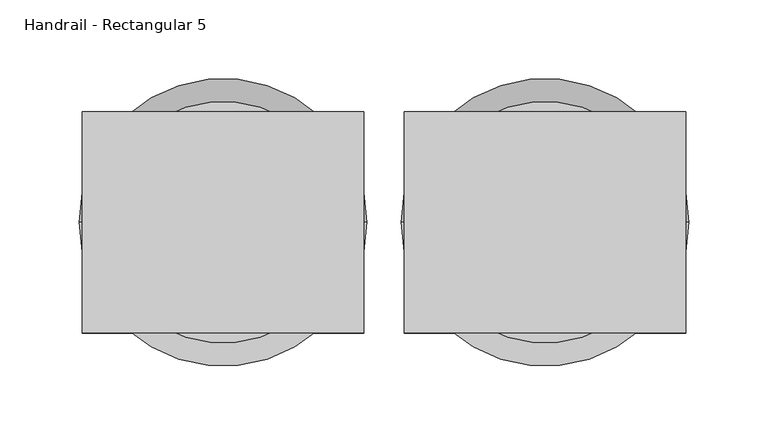
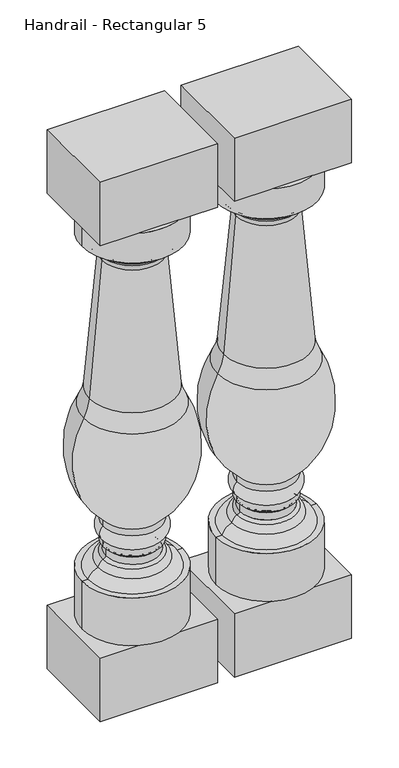
"""IFC4 building model written with IfcOpenShell, lengths in millimetres: railing geometry, Handrail - Rectangular 5."""

from ifc_helpers import new_model, si_unit, point, frame, origin, place, context, project, spatial, polyline, circle_curve, ellipse_curve, trimmed, outline, extrude, source, transform, mapped, element, save
from ifc_brep_helpers import plane_surface, cylinder_surface, revolved_surface, advanced_brep


def handrail_rectangular_5_1dbdea12(model_context):
    return source(origin(), model_context, "Body", "SolidModel", [
        advanced_brep(
        [(12597.7566037, 2142.9239298, 873.125), (12750.1566037, 2142.9239298, 873.125), (12673.9566037, 2142.9239298, 873.125), (12597.7566037, 2142.9239298, 825.4490755), (12750.1566037, 2142.9239298, 825.4490755), (12607.799835, 2142.9239298, 825.4490755), (12740.1133725, 2142.9239298, 825.4490755), (12619.2831249, 2142.9239298, 813.9657856), (12728.6300826, 2142.9239298, 813.9657856), (12619.2831249, 2142.9239298, 808.3461292), (12728.6300826, 2142.9239298, 808.3461292), (12624.985312, 2142.9239298, 802.2016975), (12722.9278955, 2142.9239298, 802.2016975), (12628.3271078, 2142.9239298, 792.8428746), (12719.5860997, 2142.9239298, 792.8428746), (12609.5596018, 2142.9239298, 577.4758218), (12738.3536056, 2142.9239298, 577.4758218), (12600.5423791, 2142.9239298, 549.5125844), (12747.3708283, 2142.9239298, 549.5125844), (12629.8132114, 2142.9239298, 376.7693301), (12718.099996, 2142.9239298, 376.7693301), (12629.8132114, 2142.9239298, 366.4437154), (12718.099996, 2142.9239298, 366.4437154), (12629.8132114, 2142.9239298, 343.8682651), (12718.099996, 2142.9239298, 343.8682651), (12629.8132114, 2142.9239298, 333.5426504), (12718.099996, 2142.9239298, 333.5426504), (12634.1236517, 2142.9239298, 329.2322102), (12713.7895558, 2142.9239298, 329.2322102), (12634.1236517, 2142.9239298, 317.4353211), (12713.7895558, 2142.9239298, 317.4353211), (12629.6258586, 2142.9239298, 313.1289544), (12718.2873488, 2142.9239298, 313.1289544), (12622.1054015, 2142.9239298, 303.0807869), (12725.8078059, 2142.9239298, 303.0807869), (12606.9567928, 2142.9239298, 288.925), (12740.9564146, 2142.9239298, 288.925), (12597.7566037, 2142.9239298, 288.925), (12750.1566037, 2142.9239298, 288.925), (12597.7566037, 2142.9239298, 212.725), (12750.1566037, 2142.9239298, 212.725), (12673.9566037, 2142.9239298, 212.725)],
        [
            (0, 1, circle_curve(frame((12673.9566037, 2142.9239298, 873.125), z_axis=(0.0, 0.0, 1.0), x_axis=(1.0, 0.0, 0.0)), 76.2)),
            (1, 2),
            (2, 0),
            (1, 0, circle_curve(frame((12673.9566037, 2142.9239298, 873.125), z_axis=(0.0, 0.0, 1.0), x_axis=(1.0, 0.0, 0.0)), 76.2)),
            (3, 4, circle_curve(frame((12673.9566037, 2142.9239298, 825.4490755), z_axis=(0.0, 0.0, 1.0), x_axis=(1.0, 0.0, 0.0)), 76.2)),
            (4, 1),
            (0, 3),
            (4, 3, circle_curve(frame((12673.9566037, 2142.9239298, 825.4490755), z_axis=(0.0, 0.0, 1.0), x_axis=(1.0, 0.0, 0.0)), 76.2)),
            (5, 6, circle_curve(frame((12673.9566037, 2142.9239298, 825.4490755), z_axis=(0.0, 0.0, 1.0), x_axis=(1.0, 0.0, 0.0)), 66.1567687)),
            (6, 4),
            (3, 5),
            (6, 5, circle_curve(frame((12673.9566037, 2142.9239298, 825.4490755), z_axis=(0.0, 0.0, 1.0), x_axis=(1.0, 0.0, 0.0)), 66.1567687)),
            (7, 8, circle_curve(frame((12673.9566037, 2142.9239298, 813.9657856), z_axis=(0.0, 0.0, 1.0), x_axis=(1.0, 0.0, 0.0)), 54.6734788)),
            (8, 6, circle_curve(frame((12728.6300826, 2142.9239298, 825.4490755), z_axis=(0.0, -1.0, 0.0), x_axis=(-1.0, 0.0, 0.0)), 11.4832899)),
            (5, 7, circle_curve(frame((12619.2831249, 2142.9239298, 825.4490755), z_axis=(0.0, -1.0, 0.0), x_axis=(1.0, 0.0, 0.0)), 11.4832899)),
            (8, 7, circle_curve(frame((12673.9566037, 2142.9239298, 813.9657856), z_axis=(0.0, 0.0, 1.0), x_axis=(1.0, 0.0, 0.0)), 54.6734788)),
            (9, 10, circle_curve(frame((12673.9566037, 2142.9239298, 808.3461292), z_axis=(0.0, 0.0, 1.0), x_axis=(1.0, 0.0, 0.0)), 54.6734788)),
            (10, 8),
            (7, 9),
            (10, 9, circle_curve(frame((12673.9566037, 2142.9239298, 808.3461292), z_axis=(0.0, 0.0, 1.0), x_axis=(1.0, 0.0, 0.0)), 54.6734788)),
            (11, 12, circle_curve(frame((12673.9566037, 2142.9239298, 802.2016975), z_axis=(0.0, 0.0, 1.0), x_axis=(1.0, 0.0, 0.0)), 48.9712918)),
            (12, 10, circle_curve(frame((12736.338943, 2142.9239298, 795.4740105), z_axis=(0.0, 1.0, 0.0), x_axis=(-1.0, 0.0, 0.0)), 15.0039317)),
            (9, 11, circle_curve(frame((12611.5742645, 2142.9239298, 795.4740105), z_axis=(0.0, 1.0, 0.0), x_axis=(1.0, 0.0, 0.0)), 15.0039317)),
            (12, 11, circle_curve(frame((12673.9566037, 2142.9239298, 802.2016975), z_axis=(0.0, 0.0, 1.0), x_axis=(1.0, 0.0, 0.0)), 48.9712918)),
            (13, 14, circle_curve(frame((12673.9566037, 2142.9239298, 792.8428746), z_axis=(0.0, 0.0, 1.0), x_axis=(1.0, 0.0, 0.0)), 45.629496)),
            (14, 12, circle_curve(frame((12732.263988, 2142.9239298, 793.5919719), z_axis=(0.0, 1.0, 0.0), x_axis=(-1.0, 0.0, 0.0)), 12.7)),
            (11, 13, circle_curve(frame((12615.6492194, 2142.9239298, 793.5919719), z_axis=(0.0, 1.0, 0.0), x_axis=(1.0, 0.0, 0.0)), 12.7)),
            (14, 13, circle_curve(frame((12673.9566037, 2142.9239298, 792.8428746), z_axis=(0.0, 0.0, 1.0), x_axis=(1.0, 0.0, 0.0)), 45.629496)),
            (15, 16, circle_curve(frame((12673.9566037, 2142.9239298, 577.4758218), z_axis=(0.0, 0.0, 1.0), x_axis=(1.0, 0.0, 0.0)), 64.3970019)),
            (16, 14, circle_curve(frame((16587.0276241, 2142.9239298, 1021.358044), z_axis=(0.0, 1.0, 0.0), x_axis=(-1.0, 0.0, 0.0)), 3874.1867698)),
            (13, 15, circle_curve(frame((8760.8855833, 2142.9239298, 1021.358044), z_axis=(0.0, 1.0, 0.0), x_axis=(1.0, 0.0, 0.0)), 3874.1867698)),
            (16, 15, circle_curve(frame((12673.9566037, 2142.9239298, 577.4758218), z_axis=(0.0, 0.0, 1.0), x_axis=(1.0, 0.0, 0.0)), 64.3970019)),
            (17, 18, circle_curve(frame((12673.9566037, 2142.9239298, 549.5125844), z_axis=(0.0, 0.0, 1.0), x_axis=(1.0, 0.0, 0.0)), 73.4142246)),
            (18, 16, circle_curve(frame((12812.8732583, 2142.9239298, 586.070457), z_axis=(0.0, 1.0, 0.0), x_axis=(-1.0, 0.0, 0.0)), 75.0136413)),
            (15, 17, circle_curve(frame((12535.0399492, 2142.9239298, 586.070457), z_axis=(0.0, 1.0, 0.0), x_axis=(1.0, 0.0, 0.0)), 75.0136413)),
            (18, 17, circle_curve(frame((12673.9566037, 2142.9239298, 549.5125844), z_axis=(0.0, 0.0, 1.0), x_axis=(1.0, 0.0, 0.0)), 73.4142246)),
            (19, 20, circle_curve(frame((12673.9566037, 2142.9239298, 376.7693301), z_axis=(0.0, 0.0, 1.0), x_axis=(1.0, 0.0, 0.0)), 44.1433923)),
            (20, 18, circle_curve(frame((12625.248479, 2142.9239298, 481.3542994), z_axis=(0.0, -1.0, 0.0), x_axis=(-1.0, 0.0, 0.0)), 139.8549964)),
            (17, 19, circle_curve(frame((12722.6647284, 2142.9239298, 481.3542994), z_axis=(0.0, -1.0, 0.0), x_axis=(1.0, 0.0, 0.0)), 139.8549964)),
            (20, 19, circle_curve(frame((12673.9566037, 2142.9239298, 376.7693301), z_axis=(0.0, 0.0, 1.0), x_axis=(1.0, 0.0, 0.0)), 44.1433923)),
            (21, 22, circle_curve(frame((12673.9566037, 2142.9239298, 366.4437154), z_axis=(0.0, 0.0, 1.0), x_axis=(1.0, 0.0, 0.0)), 44.1433923)),
            (22, 20),
            (19, 21),
            (22, 21, circle_curve(frame((12673.9566037, 2142.9239298, 366.4437154), z_axis=(0.0, 0.0, 1.0), x_axis=(1.0, 0.0, 0.0)), 44.1433923)),
            (23, 24, circle_curve(frame((12673.9566037, 2142.9239298, 343.8682651), z_axis=(0.0, 0.0, 1.0), x_axis=(1.0, 0.0, 0.0)), 44.1433923)),
            (24, 22, circle_curve(frame((12709.8079682, 2142.9239298, 355.1559903), z_axis=(0.0, -1.0, 0.0), x_axis=(-1.0, 0.0, 0.0)), 14.0060867)),
            (21, 23, circle_curve(frame((12638.1052393, 2142.9239298, 355.1559903), z_axis=(0.0, -1.0, 0.0), x_axis=(1.0, 0.0, 0.0)), 14.0060867)),
            (24, 23, circle_curve(frame((12673.9566037, 2142.9239298, 343.8682651), z_axis=(0.0, 0.0, 1.0), x_axis=(1.0, 0.0, 0.0)), 44.1433923)),
            (25, 26, circle_curve(frame((12673.9566037, 2142.9239298, 333.5426504), z_axis=(0.0, 0.0, 1.0), x_axis=(1.0, 0.0, 0.0)), 44.1433923)),
            (26, 24),
            (23, 25),
            (26, 25, circle_curve(frame((12673.9566037, 2142.9239298, 333.5426504), z_axis=(0.0, 0.0, 1.0), x_axis=(1.0, 0.0, 0.0)), 44.1433923)),
            (27, 28, circle_curve(frame((12673.9566037, 2142.9239298, 329.2322102), z_axis=(0.0, 0.0, 1.0), x_axis=(1.0, 0.0, 0.0)), 39.8329521)),
            (28, 26, circle_curve(frame((12718.099996, 2142.9239298, 329.2322102), z_axis=(0.0, 1.0, 0.0), x_axis=(-1.0, 0.0, 0.0)), 4.3104402)),
            (25, 27, circle_curve(frame((12629.8132114, 2142.9239298, 329.2322102), z_axis=(0.0, 1.0, 0.0), x_axis=(1.0, 0.0, 0.0)), 4.3104402)),
            (28, 27, circle_curve(frame((12673.9566037, 2142.9239298, 329.2322102), z_axis=(0.0, 0.0, 1.0), x_axis=(1.0, 0.0, 0.0)), 39.8329521)),
            (29, 30, circle_curve(frame((12673.9566037, 2142.9239298, 317.4353211), z_axis=(0.0, 0.0, 1.0), x_axis=(1.0, 0.0, 0.0)), 39.8329521)),
            (30, 28),
            (27, 29),
            (30, 29, circle_curve(frame((12673.9566037, 2142.9239298, 317.4353211), z_axis=(0.0, 0.0, 1.0), x_axis=(1.0, 0.0, 0.0)), 39.8329521)),
            (31, 32, circle_curve(frame((12673.9566037, 2142.9239298, 313.1289544), z_axis=(0.0, 0.0, 1.0), x_axis=(1.0, 0.0, 0.0)), 44.3307451)),
            (32, 30, circle_curve(frame((12718.099996, 2142.9239298, 317.4353211), z_axis=(0.0, 1.0, 0.0), x_axis=(-1.0, 0.0, 0.0)), 4.3104402)),
            (29, 31, circle_curve(frame((12629.8132114, 2142.9239298, 317.4353211), z_axis=(0.0, 1.0, 0.0), x_axis=(1.0, 0.0, 0.0)), 4.3104402)),
            (32, 31, circle_curve(frame((12673.9566037, 2142.9239298, 313.1289544), z_axis=(0.0, 0.0, 1.0), x_axis=(1.0, 0.0, 0.0)), 44.3307451)),
            (33, 34, circle_curve(frame((12673.9566037, 2142.9239298, 303.0807869), z_axis=(0.0, 0.0, 1.0), x_axis=(1.0, 0.0, 0.0)), 51.8512022)),
            (34, 32, circle_curve(frame((12711.1684896, 2142.9239298, 299.962519), z_axis=(0.0, -1.0, 0.0), x_axis=(-1.0, 0.0, 0.0)), 14.9677378)),
            (31, 33, circle_curve(frame((12636.7447178, 2142.9239298, 299.962519), z_axis=(0.0, -1.0, 0.0), x_axis=(1.0, 0.0, 0.0)), 14.9677378)),
            (34, 33, circle_curve(frame((12673.9566037, 2142.9239298, 303.0807869), z_axis=(0.0, 0.0, 1.0), x_axis=(1.0, 0.0, 0.0)), 51.8512022)),
            (35, 36, circle_curve(frame((12673.9566037, 2142.9239298, 288.925), z_axis=(0.0, 0.0, 1.0), x_axis=(1.0, 0.0, 0.0)), 66.9998109)),
            (36, 34, circle_curve(frame((12720.5589578, 2142.9239298, 282.2803841), z_axis=(0.0, -1.0, 0.0), x_axis=(-1.0, 0.0, 0.0)), 21.4524396)),
            (33, 35, circle_curve(frame((12627.3542496, 2142.9239298, 282.2803841), z_axis=(0.0, -1.0, 0.0), x_axis=(1.0, 0.0, 0.0)), 21.4524396)),
            (36, 35, circle_curve(frame((12673.9566037, 2142.9239298, 288.925), z_axis=(0.0, 0.0, 1.0), x_axis=(1.0, 0.0, 0.0)), 66.9998109)),
            (37, 38, circle_curve(frame((12673.9566037, 2142.9239298, 288.925), z_axis=(0.0, 0.0, 1.0), x_axis=(1.0, 0.0, 0.0)), 76.2)),
            (38, 36),
            (35, 37),
            (38, 37, circle_curve(frame((12673.9566037, 2142.9239298, 288.925), z_axis=(0.0, 0.0, 1.0), x_axis=(1.0, 0.0, 0.0)), 76.2)),
            (39, 40, circle_curve(frame((12673.9566037, 2142.9239298, 212.725), z_axis=(0.0, 0.0, 1.0), x_axis=(1.0, 0.0, 0.0)), 76.2)),
            (40, 38),
            (37, 39),
            (40, 39, circle_curve(frame((12673.9566037, 2142.9239298, 212.725), z_axis=(0.0, 0.0, 1.0), x_axis=(1.0, 0.0, 0.0)), 76.2)),
            (41, 40),
            (39, 41),
        ],
        [
            plane_surface(frame((12673.9566037, 2142.9239298, 873.125), z_axis=(0.0, 0.0, 1.0), x_axis=(1.0, 0.0, 0.0))),
            cylinder_surface(frame((12673.9566037, 2142.9239298, 841.375), z_axis=(0.0, 0.0, -1.0), x_axis=(1.0, 0.0, 0.0)), 76.2),
            plane_surface(frame((12673.9566037, 2142.9239298, 825.4490755), z_axis=(0.0, 0.0, -1.0), x_axis=(1.0, 0.0, 0.0))),
            revolved_surface(trimmed(ellipse_curve(frame((12728.6300826, 2142.9239298, 825.4490755), z_axis=(0.0, 1.0, 0.0), x_axis=(-1.0, 0.0, 0.0)), 11.4832899, 11.4832899), [point((12740.1133725, 2142.9239298, 825.4490755))], [point((12728.6300826, 2142.9239298, 813.9657856))], True, "CARTESIAN"), (12673.9566037, 2142.9239298, 841.375), (0.0, 0.0, -1.0)),
            cylinder_surface(frame((12673.9566037, 2142.9239298, 841.375), z_axis=(0.0, 0.0, -1.0), x_axis=(1.0, 0.0, 0.0)), 54.6734788),
            revolved_surface(trimmed(ellipse_curve(frame((12736.338943, 2142.9239298, 795.4740105), z_axis=(0.0, -1.0, 0.0), x_axis=(-1.0, 0.0, 0.0)), 15.0039317, 15.0039317), [point((12728.6300826, 2142.9239298, 808.3461292))], [point((12722.9278955, 2142.9239298, 802.2016975))], True, "CARTESIAN"), (12673.9566037, 2142.9239298, 841.375), (0.0, 0.0, -1.0)),
            revolved_surface(trimmed(ellipse_curve(frame((12732.263988, 2142.9239298, 793.5919719), z_axis=(0.0, -1.0, 0.0), x_axis=(-1.0, 0.0, 0.0)), 12.7, 12.7), [point((12722.9278955, 2142.9239298, 802.2016975))], [point((12719.5860997, 2142.9239298, 792.8428746))], True, "CARTESIAN"), (12673.9566037, 2142.9239298, 841.375), (0.0, 0.0, -1.0)),
            revolved_surface(trimmed(ellipse_curve(frame((16587.0276241, 2142.9239298, 1021.358044), z_axis=(0.0, -1.0, 0.0), x_axis=(-1.0, 0.0, 0.0)), 3874.1867698, 3874.1867698), [point((12719.5860997, 2142.9239298, 792.8428746))], [point((12738.3536056, 2142.9239298, 577.4758218))], True, "CARTESIAN"), (12673.9566037, 2142.9239298, 841.375), (0.0, 0.0, -1.0)),
            revolved_surface(trimmed(ellipse_curve(frame((12812.8732583, 2142.9239298, 586.070457), z_axis=(0.0, -1.0, 0.0), x_axis=(-1.0, 0.0, 0.0)), 75.0136413, 75.0136413), [point((12738.3536056, 2142.9239298, 577.4758218))], [point((12747.3708283, 2142.9239298, 549.5125844))], True, "CARTESIAN"), (12673.9566037, 2142.9239298, 841.375), (0.0, 0.0, -1.0)),
            revolved_surface(trimmed(ellipse_curve(frame((12625.248479, 2142.9239298, 481.3542994), z_axis=(0.0, 1.0, 0.0), x_axis=(-1.0, 0.0, 0.0)), 139.8549964, 139.8549964), [point((12747.3708283, 2142.9239298, 549.5125844))], [point((12718.099996, 2142.9239298, 376.7693301))], True, "CARTESIAN"), (12673.9566037, 2142.9239298, 841.375), (0.0, 0.0, -1.0)),
            cylinder_surface(frame((12673.9566037, 2142.9239298, 841.375), z_axis=(0.0, 0.0, -1.0), x_axis=(1.0, 0.0, 0.0)), 44.1433923),
            revolved_surface(trimmed(ellipse_curve(frame((12709.8079682, 2142.9239298, 355.1559903), z_axis=(0.0, 1.0, 0.0), x_axis=(-1.0, 0.0, 0.0)), 14.0060867, 14.0060867), [point((12718.099996, 2142.9239298, 366.4437154))], [point((12718.099996, 2142.9239298, 343.8682651))], True, "CARTESIAN"), (12673.9566037, 2142.9239298, 841.375), (0.0, 0.0, -1.0)),
            revolved_surface(trimmed(ellipse_curve(frame((12718.099996, 2142.9239298, 329.2322102), z_axis=(0.0, -1.0, 0.0), x_axis=(-1.0, 0.0, 0.0)), 4.3104402, 4.3104402), [point((12718.099996, 2142.9239298, 333.5426504))], [point((12713.7895558, 2142.9239298, 329.2322102))], True, "CARTESIAN"), (12673.9566037, 2142.9239298, 841.375), (0.0, 0.0, -1.0)),
            cylinder_surface(frame((12673.9566037, 2142.9239298, 841.375), z_axis=(0.0, 0.0, -1.0), x_axis=(1.0, 0.0, 0.0)), 39.8329521),
            revolved_surface(trimmed(ellipse_curve(frame((12718.099996, 2142.9239298, 317.4353211), z_axis=(0.0, -1.0, 0.0), x_axis=(-1.0, 0.0, 0.0)), 4.3104402, 4.3104402), [point((12713.7895558, 2142.9239298, 317.4353211))], [point((12718.2873488, 2142.9239298, 313.1289544))], True, "CARTESIAN"), (12673.9566037, 2142.9239298, 841.375), (0.0, 0.0, -1.0)),
            revolved_surface(trimmed(ellipse_curve(frame((12711.1684896, 2142.9239298, 299.962519), z_axis=(0.0, 1.0, 0.0), x_axis=(-1.0, 0.0, 0.0)), 14.9677378, 14.9677378), [point((12718.2873488, 2142.9239298, 313.1289544))], [point((12725.8078059, 2142.9239298, 303.0807869))], True, "CARTESIAN"), (12673.9566037, 2142.9239298, 841.375), (0.0, 0.0, -1.0)),
            revolved_surface(trimmed(ellipse_curve(frame((12720.5589578, 2142.9239298, 282.2803841), z_axis=(0.0, 1.0, 0.0), x_axis=(-1.0, 0.0, 0.0)), 21.4524396, 21.4524396), [point((12725.8078059, 2142.9239298, 303.0807869))], [point((12740.9564146, 2142.9239298, 288.925))], True, "CARTESIAN"), (12673.9566037, 2142.9239298, 841.375), (0.0, 0.0, -1.0)),
            plane_surface(frame((12673.9566037, 2142.9239298, 288.925), z_axis=(0.0, 0.0, 1.0), x_axis=(1.0, 0.0, 0.0))),
            plane_surface(frame((12673.9566037, 2142.9239298, 212.725), z_axis=(0.0, 0.0, -1.0), x_axis=(1.0, 0.0, 0.0))),
        ],
        [
            (0, [[1, 2, 3]]),
            (0, [[4, -3, -2]]),
            (1, [[5, 6, -1, 7]]),
            (1, [[8, -7, -4, -6]]),
            (2, [[9, 10, -5, 11]]),
            (2, [[12, -11, -8, -10]]),
            (3, [[13, 14, -9, 15]]),
            (3, [[16, -15, -12, -14]]),
            (4, [[17, 18, -13, 19]]),
            (4, [[20, -19, -16, -18]]),
            (5, [[21, 22, -17, 23]]),
            (5, [[24, -23, -20, -22]]),
            (6, [[25, 26, -21, 27]]),
            (6, [[28, -27, -24, -26]]),
            (7, [[29, 30, -25, 31]]),
            (7, [[32, -31, -28, -30]]),
            (8, [[33, 34, -29, 35]]),
            (8, [[36, -35, -32, -34]]),
            (9, [[37, 38, -33, 39]]),
            (9, [[40, -39, -36, -38]]),
            (10, [[41, 42, -37, 43]]),
            (10, [[44, -43, -40, -42]]),
            (11, [[45, 46, -41, 47]]),
            (11, [[48, -47, -44, -46]]),
            (10, [[49, 50, -45, 51]]),
            (10, [[52, -51, -48, -50]]),
            (12, [[53, 54, -49, 55]]),
            (12, [[56, -55, -52, -54]]),
            (13, [[57, 58, -53, 59]]),
            (13, [[60, -59, -56, -58]]),
            (14, [[61, 62, -57, 63]]),
            (14, [[64, -63, -60, -62]]),
            (15, [[65, 66, -61, 67]]),
            (15, [[68, -67, -64, -66]]),
            (16, [[69, 70, -65, 71]]),
            (16, [[72, -71, -68, -70]]),
            (17, [[73, 74, -69, 75]]),
            (17, [[76, -75, -72, -74]]),
            (1, [[77, 78, -73, 79]]),
            (1, [[80, -79, -76, -78]]),
            (18, [[81, -77, 82]]),
            (18, [[-82, -80, -81]]),
        ],
    ),
        extrude(outline(polyline([(12585.0566037, 2073.0739298), (12585.0566037, 2212.7739298), (12762.8566037, 2212.7739298), (12762.8566037, 2073.0739298), (12585.0566037, 2073.0739298)])), frame((0.0, 0.0, 111.125), z_axis=(0.0, 0.0, 1.0), x_axis=(1.0, 0.0, 0.0)), (0.0, 0.0, 1.0), 101.6),
        extrude(outline(polyline([(12585.0566037, 2212.7739298), (12762.8566037, 2212.7739298), (12762.8566037, 2073.0739298), (12585.0566037, 2073.0739298), (12585.0566037, 2212.7739298)])), frame((0.0, 0.0, 873.125), z_axis=(0.0, 0.0, 1.0), x_axis=(1.0, 0.0, 0.0)), (0.0, 0.0, 1.0), 101.6),
        advanced_brep(
        [(12394.5566037, 2142.9239298, 873.125), (12546.9566037, 2142.9239298, 873.125), (12470.7566037, 2142.9239298, 873.125), (12394.5566037, 2142.9239298, 825.4490755), (12546.9566037, 2142.9239298, 825.4490755), (12404.599835, 2142.9239298, 825.4490755), (12536.9133725, 2142.9239298, 825.4490755), (12416.0831249, 2142.9239298, 813.9657856), (12525.4300826, 2142.9239298, 813.9657856), (12416.0831249, 2142.9239298, 808.3461292), (12525.4300826, 2142.9239298, 808.3461292), (12421.785312, 2142.9239298, 802.2016975), (12519.7278955, 2142.9239298, 802.2016975), (12425.1271078, 2142.9239298, 792.8428746), (12516.3860997, 2142.9239298, 792.8428746), (12406.3596018, 2142.9239298, 577.4758218), (12535.1536056, 2142.9239298, 577.4758218), (12397.3423791, 2142.9239298, 549.5125844), (12544.1708283, 2142.9239298, 549.5125844), (12426.6132114, 2142.9239298, 376.7693301), (12514.899996, 2142.9239298, 376.7693301), (12426.6132114, 2142.9239298, 366.4437154), (12514.899996, 2142.9239298, 366.4437154), (12426.6132114, 2142.9239298, 343.8682651), (12514.899996, 2142.9239298, 343.8682651), (12426.6132114, 2142.9239298, 333.5426504), (12514.899996, 2142.9239298, 333.5426504), (12430.9236517, 2142.9239298, 329.2322102), (12510.5895558, 2142.9239298, 329.2322102), (12430.9236517, 2142.9239298, 317.4353211), (12510.5895558, 2142.9239298, 317.4353211), (12426.4258586, 2142.9239298, 313.1289544), (12515.0873488, 2142.9239298, 313.1289544), (12418.9054015, 2142.9239298, 303.0807869), (12522.6078059, 2142.9239298, 303.0807869), (12403.7567928, 2142.9239298, 288.925), (12537.7564146, 2142.9239298, 288.925), (12394.5566037, 2142.9239298, 288.925), (12546.9566037, 2142.9239298, 288.925), (12394.5566037, 2142.9239298, 212.725), (12546.9566037, 2142.9239298, 212.725), (12470.7566037, 2142.9239298, 212.725)],
        [
            (0, 1, circle_curve(frame((12470.7566037, 2142.9239298, 873.125), z_axis=(0.0, 0.0, 1.0), x_axis=(1.0, 0.0, 0.0)), 76.2)),
            (1, 2),
            (2, 0),
            (1, 0, circle_curve(frame((12470.7566037, 2142.9239298, 873.125), z_axis=(0.0, 0.0, 1.0), x_axis=(1.0, 0.0, 0.0)), 76.2)),
            (3, 4, circle_curve(frame((12470.7566037, 2142.9239298, 825.4490755), z_axis=(0.0, 0.0, 1.0), x_axis=(1.0, 0.0, 0.0)), 76.2)),
            (4, 1),
            (0, 3),
            (4, 3, circle_curve(frame((12470.7566037, 2142.9239298, 825.4490755), z_axis=(0.0, 0.0, 1.0), x_axis=(1.0, 0.0, 0.0)), 76.2)),
            (5, 6, circle_curve(frame((12470.7566037, 2142.9239298, 825.4490755), z_axis=(0.0, 0.0, 1.0), x_axis=(1.0, 0.0, 0.0)), 66.1567687)),
            (6, 4),
            (3, 5),
            (6, 5, circle_curve(frame((12470.7566037, 2142.9239298, 825.4490755), z_axis=(0.0, 0.0, 1.0), x_axis=(1.0, 0.0, 0.0)), 66.1567687)),
            (7, 8, circle_curve(frame((12470.7566037, 2142.9239298, 813.9657856), z_axis=(0.0, 0.0, 1.0), x_axis=(1.0, 0.0, 0.0)), 54.6734788)),
            (8, 6, circle_curve(frame((12525.4300826, 2142.9239298, 825.4490755), z_axis=(0.0, -1.0, 0.0), x_axis=(-1.0, 0.0, 0.0)), 11.4832899)),
            (5, 7, circle_curve(frame((12416.0831249, 2142.9239298, 825.4490755), z_axis=(0.0, -1.0, 0.0), x_axis=(1.0, 0.0, 0.0)), 11.4832899)),
            (8, 7, circle_curve(frame((12470.7566037, 2142.9239298, 813.9657856), z_axis=(0.0, 0.0, 1.0), x_axis=(1.0, 0.0, 0.0)), 54.6734788)),
            (9, 10, circle_curve(frame((12470.7566037, 2142.9239298, 808.3461292), z_axis=(0.0, 0.0, 1.0), x_axis=(1.0, 0.0, 0.0)), 54.6734788)),
            (10, 8),
            (7, 9),
            (10, 9, circle_curve(frame((12470.7566037, 2142.9239298, 808.3461292), z_axis=(0.0, 0.0, 1.0), x_axis=(1.0, 0.0, 0.0)), 54.6734788)),
            (11, 12, circle_curve(frame((12470.7566037, 2142.9239298, 802.2016975), z_axis=(0.0, 0.0, 1.0), x_axis=(1.0, 0.0, 0.0)), 48.9712918)),
            (12, 10, circle_curve(frame((12533.138943, 2142.9239298, 795.4740105), z_axis=(0.0, 1.0, 0.0), x_axis=(-1.0, 0.0, 0.0)), 15.0039317)),
            (9, 11, circle_curve(frame((12408.3742645, 2142.9239298, 795.4740105), z_axis=(0.0, 1.0, 0.0), x_axis=(1.0, 0.0, 0.0)), 15.0039317)),
            (12, 11, circle_curve(frame((12470.7566037, 2142.9239298, 802.2016975), z_axis=(0.0, 0.0, 1.0), x_axis=(1.0, 0.0, 0.0)), 48.9712918)),
            (13, 14, circle_curve(frame((12470.7566037, 2142.9239298, 792.8428746), z_axis=(0.0, 0.0, 1.0), x_axis=(1.0, 0.0, 0.0)), 45.629496)),
            (14, 12, circle_curve(frame((12529.063988, 2142.9239298, 793.5919719), z_axis=(0.0, 1.0, 0.0), x_axis=(-1.0, 0.0, 0.0)), 12.7)),
            (11, 13, circle_curve(frame((12412.4492194, 2142.9239298, 793.5919719), z_axis=(0.0, 1.0, 0.0), x_axis=(1.0, 0.0, 0.0)), 12.7)),
            (14, 13, circle_curve(frame((12470.7566037, 2142.9239298, 792.8428746), z_axis=(0.0, 0.0, 1.0), x_axis=(1.0, 0.0, 0.0)), 45.629496)),
            (15, 16, circle_curve(frame((12470.7566037, 2142.9239298, 577.4758218), z_axis=(0.0, 0.0, 1.0), x_axis=(1.0, 0.0, 0.0)), 64.3970019)),
            (16, 14, circle_curve(frame((16383.8276241, 2142.9239298, 1021.358044), z_axis=(0.0, 1.0, 0.0), x_axis=(-1.0, 0.0, 0.0)), 3874.1867698)),
            (13, 15, circle_curve(frame((8557.6855833, 2142.9239298, 1021.358044), z_axis=(0.0, 1.0, 0.0), x_axis=(1.0, 0.0, 0.0)), 3874.1867698)),
            (16, 15, circle_curve(frame((12470.7566037, 2142.9239298, 577.4758218), z_axis=(0.0, 0.0, 1.0), x_axis=(1.0, 0.0, 0.0)), 64.3970019)),
            (17, 18, circle_curve(frame((12470.7566037, 2142.9239298, 549.5125844), z_axis=(0.0, 0.0, 1.0), x_axis=(1.0, 0.0, 0.0)), 73.4142246)),
            (18, 16, circle_curve(frame((12609.6732583, 2142.9239298, 586.070457), z_axis=(0.0, 1.0, 0.0), x_axis=(-1.0, 0.0, 0.0)), 75.0136413)),
            (15, 17, circle_curve(frame((12331.8399492, 2142.9239298, 586.070457), z_axis=(0.0, 1.0, 0.0), x_axis=(1.0, 0.0, 0.0)), 75.0136413)),
            (18, 17, circle_curve(frame((12470.7566037, 2142.9239298, 549.5125844), z_axis=(0.0, 0.0, 1.0), x_axis=(1.0, 0.0, 0.0)), 73.4142246)),
            (19, 20, circle_curve(frame((12470.7566037, 2142.9239298, 376.7693301), z_axis=(0.0, 0.0, 1.0), x_axis=(1.0, 0.0, 0.0)), 44.1433923)),
            (20, 18, circle_curve(frame((12422.048479, 2142.9239298, 481.3542994), z_axis=(0.0, -1.0, 0.0), x_axis=(-1.0, 0.0, 0.0)), 139.8549964)),
            (17, 19, circle_curve(frame((12519.4647284, 2142.9239298, 481.3542994), z_axis=(0.0, -1.0, 0.0), x_axis=(1.0, 0.0, 0.0)), 139.8549964)),
            (20, 19, circle_curve(frame((12470.7566037, 2142.9239298, 376.7693301), z_axis=(0.0, 0.0, 1.0), x_axis=(1.0, 0.0, 0.0)), 44.1433923)),
            (21, 22, circle_curve(frame((12470.7566037, 2142.9239298, 366.4437154), z_axis=(0.0, 0.0, 1.0), x_axis=(1.0, 0.0, 0.0)), 44.1433923)),
            (22, 20),
            (19, 21),
            (22, 21, circle_curve(frame((12470.7566037, 2142.9239298, 366.4437154), z_axis=(0.0, 0.0, 1.0), x_axis=(1.0, 0.0, 0.0)), 44.1433923)),
            (23, 24, circle_curve(frame((12470.7566037, 2142.9239298, 343.8682651), z_axis=(0.0, 0.0, 1.0), x_axis=(1.0, 0.0, 0.0)), 44.1433923)),
            (24, 22, circle_curve(frame((12506.6079682, 2142.9239298, 355.1559903), z_axis=(0.0, -1.0, 0.0), x_axis=(-1.0, 0.0, 0.0)), 14.0060867)),
            (21, 23, circle_curve(frame((12434.9052393, 2142.9239298, 355.1559903), z_axis=(0.0, -1.0, 0.0), x_axis=(1.0, 0.0, 0.0)), 14.0060867)),
            (24, 23, circle_curve(frame((12470.7566037, 2142.9239298, 343.8682651), z_axis=(0.0, 0.0, 1.0), x_axis=(1.0, 0.0, 0.0)), 44.1433923)),
            (25, 26, circle_curve(frame((12470.7566037, 2142.9239298, 333.5426504), z_axis=(0.0, 0.0, 1.0), x_axis=(1.0, 0.0, 0.0)), 44.1433923)),
            (26, 24),
            (23, 25),
            (26, 25, circle_curve(frame((12470.7566037, 2142.9239298, 333.5426504), z_axis=(0.0, 0.0, 1.0), x_axis=(1.0, 0.0, 0.0)), 44.1433923)),
            (27, 28, circle_curve(frame((12470.7566037, 2142.9239298, 329.2322102), z_axis=(0.0, 0.0, 1.0), x_axis=(1.0, 0.0, 0.0)), 39.8329521)),
            (28, 26, circle_curve(frame((12514.899996, 2142.9239298, 329.2322102), z_axis=(0.0, 1.0, 0.0), x_axis=(-1.0, 0.0, 0.0)), 4.3104402)),
            (25, 27, circle_curve(frame((12426.6132114, 2142.9239298, 329.2322102), z_axis=(0.0, 1.0, 0.0), x_axis=(1.0, 0.0, 0.0)), 4.3104402)),
            (28, 27, circle_curve(frame((12470.7566037, 2142.9239298, 329.2322102), z_axis=(0.0, 0.0, 1.0), x_axis=(1.0, 0.0, 0.0)), 39.8329521)),
            (29, 30, circle_curve(frame((12470.7566037, 2142.9239298, 317.4353211), z_axis=(0.0, 0.0, 1.0), x_axis=(1.0, 0.0, 0.0)), 39.8329521)),
            (30, 28),
            (27, 29),
            (30, 29, circle_curve(frame((12470.7566037, 2142.9239298, 317.4353211), z_axis=(0.0, 0.0, 1.0), x_axis=(1.0, 0.0, 0.0)), 39.8329521)),
            (31, 32, circle_curve(frame((12470.7566037, 2142.9239298, 313.1289544), z_axis=(0.0, 0.0, 1.0), x_axis=(1.0, 0.0, 0.0)), 44.3307451)),
            (32, 30, circle_curve(frame((12514.899996, 2142.9239298, 317.4353211), z_axis=(0.0, 1.0, 0.0), x_axis=(-1.0, 0.0, 0.0)), 4.3104402)),
            (29, 31, circle_curve(frame((12426.6132114, 2142.9239298, 317.4353211), z_axis=(0.0, 1.0, 0.0), x_axis=(1.0, 0.0, 0.0)), 4.3104402)),
            (32, 31, circle_curve(frame((12470.7566037, 2142.9239298, 313.1289544), z_axis=(0.0, 0.0, 1.0), x_axis=(1.0, 0.0, 0.0)), 44.3307451)),
            (33, 34, circle_curve(frame((12470.7566037, 2142.9239298, 303.0807869), z_axis=(0.0, 0.0, 1.0), x_axis=(1.0, 0.0, 0.0)), 51.8512022)),
            (34, 32, circle_curve(frame((12507.9684896, 2142.9239298, 299.962519), z_axis=(0.0, -1.0, 0.0), x_axis=(-1.0, 0.0, 0.0)), 14.9677378)),
            (31, 33, circle_curve(frame((12433.5447178, 2142.9239298, 299.962519), z_axis=(0.0, -1.0, 0.0), x_axis=(1.0, 0.0, 0.0)), 14.9677378)),
            (34, 33, circle_curve(frame((12470.7566037, 2142.9239298, 303.0807869), z_axis=(0.0, 0.0, 1.0), x_axis=(1.0, 0.0, 0.0)), 51.8512022)),
            (35, 36, circle_curve(frame((12470.7566037, 2142.9239298, 288.925), z_axis=(0.0, 0.0, 1.0), x_axis=(1.0, 0.0, 0.0)), 66.9998109)),
            (36, 34, circle_curve(frame((12517.3589578, 2142.9239298, 282.2803841), z_axis=(0.0, -1.0, 0.0), x_axis=(-1.0, 0.0, 0.0)), 21.4524396)),
            (33, 35, circle_curve(frame((12424.1542496, 2142.9239298, 282.2803841), z_axis=(0.0, -1.0, 0.0), x_axis=(1.0, 0.0, 0.0)), 21.4524396)),
            (36, 35, circle_curve(frame((12470.7566037, 2142.9239298, 288.925), z_axis=(0.0, 0.0, 1.0), x_axis=(1.0, 0.0, 0.0)), 66.9998109)),
            (37, 38, circle_curve(frame((12470.7566037, 2142.9239298, 288.925), z_axis=(0.0, 0.0, 1.0), x_axis=(1.0, 0.0, 0.0)), 76.2)),
            (38, 36),
            (35, 37),
            (38, 37, circle_curve(frame((12470.7566037, 2142.9239298, 288.925), z_axis=(0.0, 0.0, 1.0), x_axis=(1.0, 0.0, 0.0)), 76.2)),
            (39, 40, circle_curve(frame((12470.7566037, 2142.9239298, 212.725), z_axis=(0.0, 0.0, 1.0), x_axis=(1.0, 0.0, 0.0)), 76.2)),
            (40, 38),
            (37, 39),
            (40, 39, circle_curve(frame((12470.7566037, 2142.9239298, 212.725), z_axis=(0.0, 0.0, 1.0), x_axis=(1.0, 0.0, 0.0)), 76.2)),
            (41, 40),
            (39, 41),
        ],
        [
            plane_surface(frame((12470.7566037, 2142.9239298, 873.125), z_axis=(0.0, 0.0, 1.0), x_axis=(1.0, 0.0, 0.0))),
            cylinder_surface(frame((12470.7566037, 2142.9239298, 841.375), z_axis=(0.0, 0.0, -1.0), x_axis=(1.0, 0.0, 0.0)), 76.2),
            plane_surface(frame((12470.7566037, 2142.9239298, 825.4490755), z_axis=(0.0, 0.0, -1.0), x_axis=(1.0, 0.0, 0.0))),
            revolved_surface(trimmed(ellipse_curve(frame((12525.4300826, 2142.9239298, 825.4490755), z_axis=(0.0, 1.0, 0.0), x_axis=(-1.0, 0.0, 0.0)), 11.4832899, 11.4832899), [point((12536.9133725, 2142.9239298, 825.4490755))], [point((12525.4300826, 2142.9239298, 813.9657856))], True, "CARTESIAN"), (12470.7566037, 2142.9239298, 841.375), (0.0, 0.0, -1.0)),
            cylinder_surface(frame((12470.7566037, 2142.9239298, 841.375), z_axis=(0.0, 0.0, -1.0), x_axis=(1.0, 0.0, 0.0)), 54.6734788),
            revolved_surface(trimmed(ellipse_curve(frame((12533.138943, 2142.9239298, 795.4740105), z_axis=(0.0, -1.0, 0.0), x_axis=(-1.0, 0.0, 0.0)), 15.0039317, 15.0039317), [point((12525.4300826, 2142.9239298, 808.3461292))], [point((12519.7278955, 2142.9239298, 802.2016975))], True, "CARTESIAN"), (12470.7566037, 2142.9239298, 841.375), (0.0, 0.0, -1.0)),
            revolved_surface(trimmed(ellipse_curve(frame((12529.063988, 2142.9239298, 793.5919719), z_axis=(0.0, -1.0, 0.0), x_axis=(-1.0, 0.0, 0.0)), 12.7, 12.7), [point((12519.7278955, 2142.9239298, 802.2016975))], [point((12516.3860997, 2142.9239298, 792.8428746))], True, "CARTESIAN"), (12470.7566037, 2142.9239298, 841.375), (0.0, 0.0, -1.0)),
            revolved_surface(trimmed(ellipse_curve(frame((16383.8276241, 2142.9239298, 1021.358044), z_axis=(0.0, -1.0, 0.0), x_axis=(-1.0, 0.0, 0.0)), 3874.1867698, 3874.1867698), [point((12516.3860997, 2142.9239298, 792.8428746))], [point((12535.1536056, 2142.9239298, 577.4758218))], True, "CARTESIAN"), (12470.7566037, 2142.9239298, 841.375), (0.0, 0.0, -1.0)),
            revolved_surface(trimmed(ellipse_curve(frame((12609.6732583, 2142.9239298, 586.070457), z_axis=(0.0, -1.0, 0.0), x_axis=(-1.0, 0.0, 0.0)), 75.0136413, 75.0136413), [point((12535.1536056, 2142.9239298, 577.4758218))], [point((12544.1708283, 2142.9239298, 549.5125844))], True, "CARTESIAN"), (12470.7566037, 2142.9239298, 841.375), (0.0, 0.0, -1.0)),
            revolved_surface(trimmed(ellipse_curve(frame((12422.048479, 2142.9239298, 481.3542994), z_axis=(0.0, 1.0, 0.0), x_axis=(-1.0, 0.0, 0.0)), 139.8549964, 139.8549964), [point((12544.1708283, 2142.9239298, 549.5125844))], [point((12514.899996, 2142.9239298, 376.7693301))], True, "CARTESIAN"), (12470.7566037, 2142.9239298, 841.375), (0.0, 0.0, -1.0)),
            cylinder_surface(frame((12470.7566037, 2142.9239298, 841.375), z_axis=(0.0, 0.0, -1.0), x_axis=(1.0, 0.0, 0.0)), 44.1433923),
            revolved_surface(trimmed(ellipse_curve(frame((12506.6079682, 2142.9239298, 355.1559903), z_axis=(0.0, 1.0, 0.0), x_axis=(-1.0, 0.0, 0.0)), 14.0060867, 14.0060867), [point((12514.899996, 2142.9239298, 366.4437154))], [point((12514.899996, 2142.9239298, 343.8682651))], True, "CARTESIAN"), (12470.7566037, 2142.9239298, 841.375), (0.0, 0.0, -1.0)),
            revolved_surface(trimmed(ellipse_curve(frame((12514.899996, 2142.9239298, 329.2322102), z_axis=(0.0, -1.0, 0.0), x_axis=(-1.0, 0.0, 0.0)), 4.3104402, 4.3104402), [point((12514.899996, 2142.9239298, 333.5426504))], [point((12510.5895558, 2142.9239298, 329.2322102))], True, "CARTESIAN"), (12470.7566037, 2142.9239298, 841.375), (0.0, 0.0, -1.0)),
            cylinder_surface(frame((12470.7566037, 2142.9239298, 841.375), z_axis=(0.0, 0.0, -1.0), x_axis=(1.0, 0.0, 0.0)), 39.8329521),
            revolved_surface(trimmed(ellipse_curve(frame((12514.899996, 2142.9239298, 317.4353211), z_axis=(0.0, -1.0, 0.0), x_axis=(-1.0, 0.0, 0.0)), 4.3104402, 4.3104402), [point((12510.5895558, 2142.9239298, 317.4353211))], [point((12515.0873488, 2142.9239298, 313.1289544))], True, "CARTESIAN"), (12470.7566037, 2142.9239298, 841.375), (0.0, 0.0, -1.0)),
            revolved_surface(trimmed(ellipse_curve(frame((12507.9684896, 2142.9239298, 299.962519), z_axis=(0.0, 1.0, 0.0), x_axis=(-1.0, 0.0, 0.0)), 14.9677378, 14.9677378), [point((12515.0873488, 2142.9239298, 313.1289544))], [point((12522.6078059, 2142.9239298, 303.0807869))], True, "CARTESIAN"), (12470.7566037, 2142.9239298, 841.375), (0.0, 0.0, -1.0)),
            revolved_surface(trimmed(ellipse_curve(frame((12517.3589578, 2142.9239298, 282.2803841), z_axis=(0.0, 1.0, 0.0), x_axis=(-1.0, 0.0, 0.0)), 21.4524396, 21.4524396), [point((12522.6078059, 2142.9239298, 303.0807869))], [point((12537.7564146, 2142.9239298, 288.925))], True, "CARTESIAN"), (12470.7566037, 2142.9239298, 841.375), (0.0, 0.0, -1.0)),
            plane_surface(frame((12470.7566037, 2142.9239298, 288.925), z_axis=(0.0, 0.0, 1.0), x_axis=(1.0, 0.0, 0.0))),
            plane_surface(frame((12470.7566037, 2142.9239298, 212.725), z_axis=(0.0, 0.0, -1.0), x_axis=(1.0, 0.0, 0.0))),
        ],
        [
            (0, [[1, 2, 3]]),
            (0, [[4, -3, -2]]),
            (1, [[5, 6, -1, 7]]),
            (1, [[8, -7, -4, -6]]),
            (2, [[9, 10, -5, 11]]),
            (2, [[12, -11, -8, -10]]),
            (3, [[13, 14, -9, 15]]),
            (3, [[16, -15, -12, -14]]),
            (4, [[17, 18, -13, 19]]),
            (4, [[20, -19, -16, -18]]),
            (5, [[21, 22, -17, 23]]),
            (5, [[24, -23, -20, -22]]),
            (6, [[25, 26, -21, 27]]),
            (6, [[28, -27, -24, -26]]),
            (7, [[29, 30, -25, 31]]),
            (7, [[32, -31, -28, -30]]),
            (8, [[33, 34, -29, 35]]),
            (8, [[36, -35, -32, -34]]),
            (9, [[37, 38, -33, 39]]),
            (9, [[40, -39, -36, -38]]),
            (10, [[41, 42, -37, 43]]),
            (10, [[44, -43, -40, -42]]),
            (11, [[45, 46, -41, 47]]),
            (11, [[48, -47, -44, -46]]),
            (10, [[49, 50, -45, 51]]),
            (10, [[52, -51, -48, -50]]),
            (12, [[53, 54, -49, 55]]),
            (12, [[56, -55, -52, -54]]),
            (13, [[57, 58, -53, 59]]),
            (13, [[60, -59, -56, -58]]),
            (14, [[61, 62, -57, 63]]),
            (14, [[64, -63, -60, -62]]),
            (15, [[65, 66, -61, 67]]),
            (15, [[68, -67, -64, -66]]),
            (16, [[69, 70, -65, 71]]),
            (16, [[72, -71, -68, -70]]),
            (17, [[73, 74, -69, 75]]),
            (17, [[76, -75, -72, -74]]),
            (1, [[77, 78, -73, 79]]),
            (1, [[80, -79, -76, -78]]),
            (18, [[81, -77, 82]]),
            (18, [[-82, -80, -81]]),
        ],
    ),
        extrude(outline(polyline([(12381.8566037, 2073.0739298), (12381.8566037, 2212.7739298), (12559.6566037, 2212.7739298), (12559.6566037, 2073.0739298), (12381.8566037, 2073.0739298)])), frame((0.0, 0.0, 111.125), z_axis=(0.0, 0.0, 1.0), x_axis=(1.0, 0.0, 0.0)), (0.0, 0.0, 1.0), 101.6),
        extrude(outline(polyline([(12381.8566037, 2212.7739298), (12559.6566037, 2212.7739298), (12559.6566037, 2073.0739298), (12381.8566037, 2073.0739298), (12381.8566037, 2212.7739298)])), frame((0.0, 0.0, 873.125), z_axis=(0.0, 0.0, 1.0), x_axis=(1.0, 0.0, 0.0)), (0.0, 0.0, 1.0), 101.6),
    ])


if __name__ == "__main__":
    model = new_model("IFC4")
    model_context = context("Model", 3, world=origin())
    ifc_project = project(units=[si_unit("LENGTHUNIT", "METRE", prefix="MILLI")], contexts=[model_context])
    site = spatial("IfcSite", under=ifc_project)
    building = spatial("IfcBuilding", under=site)
    placement = place(None, origin())
    handrail_rectangular_5_shape = handrail_rectangular_5_1dbdea12(model_context)
    element("IfcRailing", 1, ObjectType="Handrail - Rectangular 5", at=placement, inside=building, context=model_context, shape_type="MappedRepresentation", body=[
        mapped(handrail_rectangular_5_shape, transform((0.0, 0.0, 0.0), x_axis=(1.0, 0.0, 0.0), y_axis=(0.0, 1.0, 0.0), z_axis=(0.0, 0.0, 1.0))),
    ])
    save(model, "model.ifc")
